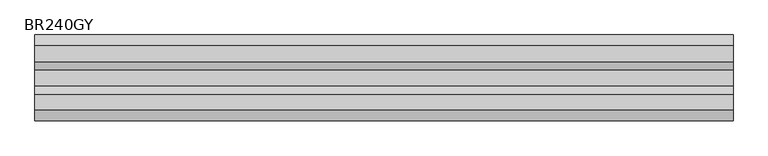
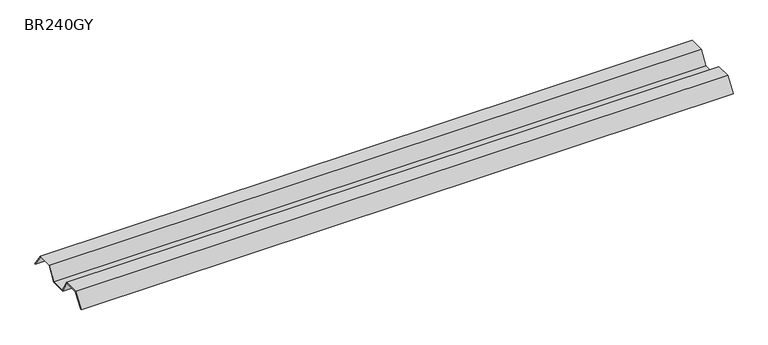
"""IFC4 building model written with IfcOpenShell, lengths in millimetres: proxy geometry, BR240GY."""

import ifcopenshell
import ifcopenshell.guid

model = None  # the IFC model being written
_history = None  # IfcOwnerHistory: only IFC2X3 demands one
_inside = {}  # id of a spatial element -> (the spatial element, [elements in it])
_under = {}  # id of a project, library or spatial element -> (it, [spatial elements below it])
_declared = {}  # id of a project -> (the project, [libraries it declares])
_typed = {}  # id of a type object -> (the type object, [elements of that type])
_made_of = {}  # id of a material, layer set ... -> (it, [elements and type objects made of it])


def new_model(schema):
    """Start an empty IFC model of exactly this schema.

    Asked for "IFC4X3", IfcOpenShell would pick the latest addendum, in which some entities
    have other attributes; the version numbers below select the first issue.
    IFC2X3 requires an IfcOwnerHistory on every rooted entity: one is made here for all.
    """
    global model, _history
    if schema == "IFC4X3":
        model = ifcopenshell.file(schema_version=(4, 3, 0, 0))
    else:
        model = ifcopenshell.file(schema=schema)
    _inside.clear()
    _under.clear()
    _declared.clear()
    _typed.clear()
    _made_of.clear()
    _history = None
    if model.schema == "IFC2X3":
        org = make("IfcOrganization", Name="unknown")
        user = make(
            "IfcPersonAndOrganization",
            ThePerson=make("IfcPerson", FamilyName="unknown"),
            TheOrganization=org,
        )
        app = make(
            "IfcApplication",
            ApplicationDeveloper=org,
            Version="unknown",
            ApplicationFullName="unknown",
            ApplicationIdentifier="unknown",
        )
        _history = make(
            "IfcOwnerHistory",
            OwningUser=user,
            OwningApplication=app,
            ChangeAction="ADDED",
            CreationDate=0,
        )
    return model


def make(cls, **values):
    """One entity of the class cls with the attributes given. An attribute that is None is left unset."""
    return model.create_entity(
        cls, **{name: value for name, value in values.items() if value is not None}
    )


def rooted(cls, **values):
    """An entity with a GlobalId (a new one), such as an element, a storey or a relation."""
    return make(cls, GlobalId=ifcopenshell.guid.new(), OwnerHistory=_history, **values)


def si_unit(unit_type, name, prefix=None):
    """IfcSIUnit, for example si_unit("LENGTHUNIT", "METRE", prefix="MILLI")."""
    return make("IfcSIUnit", UnitType=unit_type, Prefix=prefix, Name=name)


def assignment(units):
    """IfcUnitAssignment: the units of a project."""
    return None if units is None else make("IfcUnitAssignment", Units=units)


def point(xyz):
    """IfcCartesianPoint."""
    return None if xyz is None else make("IfcCartesianPoint", Coordinates=xyz)


def direction(xyz):
    """IfcDirection."""
    return None if xyz is None else make("IfcDirection", DirectionRatios=xyz)


def frame(location, z_axis=None, x_axis=None):
    """IfcAxis2Placement3D, a coordinate frame: its origin and axes. An axis left out is left unset."""
    return make(
        "IfcAxis2Placement3D",
        Location=point(location),
        Axis=direction(z_axis),
        RefDirection=direction(x_axis),
    )


def origin():
    """The frame at (0, 0, 0) with its axes left unset."""
    return frame((0.0, 0.0, 0.0))


def place(relative_to, where):
    """IfcLocalPlacement: puts the frame where relative to a parent placement (None: the world)."""
    return make(
        "IfcLocalPlacement", PlacementRelTo=relative_to, RelativePlacement=where
    )


def context(
    kind, dimensions, precision=None, world=None, true_north=None, identifier=None
):
    """IfcGeometricRepresentationContext, for example the 3D "Model" context."""
    return make(
        "IfcGeometricRepresentationContext",
        ContextIdentifier=identifier,
        ContextType=kind,
        CoordinateSpaceDimension=dimensions,
        Precision=precision,
        WorldCoordinateSystem=world,
        TrueNorth=true_north,
    )


def project(units=None, contexts=None):
    """IfcProject with its units and contexts."""
    return rooted(
        "IfcProject",
        Name="project",
        RepresentationContexts=contexts,
        UnitsInContext=assignment(units),
    )


def spatial(cls, under=None, at=None, **own):
    """A site, building, storey or space (cls), placed at a placement, below another one or the project."""
    s = rooted(cls, ObjectPlacement=at, **own)
    if under is not None:
        _under.setdefault(under.id(), (under, []))[1].append(s)
    return s


def polyline(points):
    """IfcPolyline through the points."""
    return make("IfcPolyline", Points=[point(p) for p in points])


def outline(outer, holes=None, kind="AREA"):
    """IfcArbitraryClosedProfileDef: a profile drawn as a closed curve; with holes, ...WithVoids."""
    if holes is None:
        return make("IfcArbitraryClosedProfileDef", ProfileType=kind, OuterCurve=outer)
    return make(
        "IfcArbitraryProfileDefWithVoids",
        ProfileType=kind,
        OuterCurve=outer,
        InnerCurves=holes,
    )


def extrude(swept, where, along, depth):
    """IfcExtrudedAreaSolid: the profile swept, set in the frame where, extruded along a direction by depth."""
    return make(
        "IfcExtrudedAreaSolid",
        SweptArea=swept,
        Position=where,
        ExtrudedDirection=direction(along),
        Depth=depth,
    )


def shape(context_of_items, identifier, shape_type, items):
    """IfcShapeRepresentation: the items that make up one representation, for example the "Body"."""
    return make(
        "IfcShapeRepresentation",
        ContextOfItems=context_of_items,
        RepresentationIdentifier=identifier,
        RepresentationType=shape_type,
        Items=items,
    )


def source(mapping_origin, context_of_items, identifier, shape_type, items):
    """IfcRepresentationMap: a shape defined once, which mapped items show again and again."""
    return make(
        "IfcRepresentationMap",
        MappingOrigin=mapping_origin,
        MappedRepresentation=shape(context_of_items, identifier, shape_type, items),
    )


def transform(
    local_origin,
    x_axis=None,
    y_axis=None,
    z_axis=None,
    scale=None,
    scale2=None,
    scale3=None,
    uniform=True,
):
    """IfcCartesianTransformationOperator3D, or its non-uniform kind. x_axis, y_axis, z_axis: its Axis1, 2, 3."""
    if uniform:
        return make(
            "IfcCartesianTransformationOperator3D",
            Axis1=direction(x_axis),
            Axis2=direction(y_axis),
            LocalOrigin=point(local_origin),
            Scale=scale,
            Axis3=direction(z_axis),
        )
    return make(
        "IfcCartesianTransformationOperator3DnonUniform",
        Axis1=direction(x_axis),
        Axis2=direction(y_axis),
        LocalOrigin=point(local_origin),
        Scale=scale,
        Axis3=direction(z_axis),
        Scale2=scale2,
        Scale3=scale3,
    )


def mapped(mapping_source, mapping_target):
    """IfcMappedItem: shows the shape of a source again, moved by a transform."""
    return make(
        "IfcMappedItem", MappingSource=mapping_source, MappingTarget=mapping_target
    )


def made_of(thing, what):
    """Note that an element or type object is made of a material, layer set ...; save() writes the relation."""
    if what is not None:
        _made_of.setdefault(what.id(), (what, []))[1].append(thing)
    return thing


def element(
    cls,
    number,
    at=None,
    inside=None,
    cuts=None,
    type_object=None,
    material=None,
    context=None,
    identifier="Body",
    shape_type=None,
    held_by="IfcProductDefinitionShape",
    body=None,
    shapes=None,
    **own,
):
    """One element of the class cls, such as IfcWall. Its Tag is "e" and its number.

    at: its placement. inside: the storey or other place that contains it. cuts: it is an
    opening in that element (IfcRelVoidsElement). A single representation is given by context,
    identifier, shape_type and body (its items); several are given by shapes. held_by: the class
    of the entity that holds the representations. save() writes the other relations.
    """
    e = rooted(cls, Tag="e%d" % number, ObjectPlacement=at, **own)
    if body is not None:
        shapes = [shape(context, identifier, shape_type, body)]
    if shapes is not None:
        e.Representation = make(held_by, Representations=shapes)
    if inside is not None:
        _inside.setdefault(inside.id(), (inside, []))[1].append(e)
    if cuts is not None:
        rooted(
            "IfcRelVoidsElement", RelatingBuildingElement=cuts, RelatedOpeningElement=e
        )
    if type_object is not None:
        _typed.setdefault(type_object.id(), (type_object, []))[1].append(e)
    return made_of(e, material)


def aggregate(whole, parts):
    """IfcRelAggregates: a whole, such as a stair, and the parts it consists of."""
    return rooted("IfcRelAggregates", RelatingObject=whole, RelatedObjects=parts)


def save(model, path):
    """Write the relations noted so far, then the file.

    IfcRelAggregates (storeys below a building ...), IfcRelContainedInSpatialStructure (elements
    in a storey), IfcRelDefinesByType, IfcRelAssociatesMaterial and IfcRelDeclares: one each for
    every whole, place, type object, material and project.
    """
    for whole, parts in _under.values():
        aggregate(whole, parts)
    for where, things in _inside.values():
        rooted(
            "IfcRelContainedInSpatialStructure",
            RelatedElements=things,
            RelatingStructure=where,
        )
    for kind, things in _typed.values():
        rooted("IfcRelDefinesByType", RelatedObjects=things, RelatingType=kind)
    for what, things in _made_of.values():
        rooted("IfcRelAssociatesMaterial", RelatedObjects=things, RelatingMaterial=what)
    for by, libraries in _declared.values():
        rooted("IfcRelDeclares", RelatingContext=by, RelatedDefinitions=libraries)
    model.write(path)


def br240gy_09bea8eb(model_context):
    return source(origin(), model_context, "Body", "SweptSolid", [
        extrude(outline(polyline([(145.0500027, 0.0), (111.0877822, 48.0), (57.1001053, 48.0), (28.6623259, 0.0), (-28.6618954, 0.0), (-57.0591173, 48.0), (-111.1363424, 48.0), (-145.0511434, 0.0), (-147.5, 0.0), (-112.1720823, 50.0), (-55.918544, 50.0), (-27.5213222, 2.0), (27.5225816, 2.0), (55.9603611, 50.0), (112.122687, 50.0), (147.5, 0.0), (145.0500027, 0.0)])), frame((0.0, 0.0, 0.0), z_axis=(1.0, 0.0, 0.0), x_axis=(0.0, 1.0, 0.0)), (0.0, 0.0, 1.0), 2400.0),
    ])


if __name__ == "__main__":
    model = new_model("IFC4")
    model_context = context("Model", 3, world=origin())
    ifc_project = project(units=[si_unit("LENGTHUNIT", "METRE", prefix="MILLI")], contexts=[model_context])
    site = spatial("IfcSite", under=ifc_project)
    building = spatial("IfcBuilding", under=site)
    placement = place(None, origin())
    br240gy_shape = br240gy_09bea8eb(model_context)
    element("IfcBuildingElementProxy", 1, Name="BR240GY", ObjectType="BR240GY", at=placement, inside=building, context=model_context, shape_type="MappedRepresentation", body=[
        mapped(br240gy_shape, transform((0.0, 0.0, 0.0), x_axis=(1.0, 0.0, 0.0), y_axis=(0.0, 1.0, 0.0), z_axis=(0.0, 0.0, 1.0))),
    ])
    save(model, "model.ifc")
